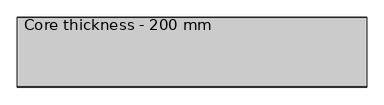
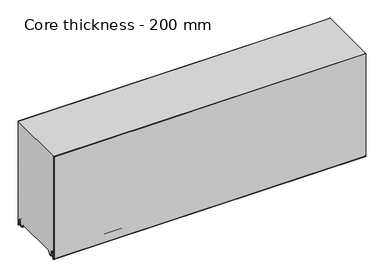
"""IFC4 building model written with IfcOpenShell, lengths in millimetres: plate geometry, Core thickness - 200 mm."""

from ifc_helpers import new_model, si_unit, frame, origin, place, context, project, spatial, polyline, circle_curve, source, transform, mapped, element, save
from ifc_brep_helpers import plane_surface, cylinder_surface, revolved_surface, advanced_brep


def core_thickness_200_mm_f11590a1(model_context):
    return source(origin(), model_context, "Body", "AdvancedBrep", [
        advanced_brep(
        [(500.0000002, -199.9996949, 3.0900682), (500.0000002, -193.81449, 2.7875612), (500.0000002, -192.197116, 19.2828169), (500.0000002, -189.1776715, 21.9898782), (500.0000002, -186.1582271, 19.2828169), (500.0000002, -184.7725998, 5.1510966), (500.0000002, -180.3830995, 5.365779), (500.0000002, -181.1830995, 5.365779), (500.0000002, -183.9764178, 5.2291629), (500.0000002, -185.3620451, 19.3608832), (500.0000002, -189.1776715, 22.7899182), (500.0000002, -192.9932979, 19.3608832), (500.0000002, -194.6106719, 2.8656275), (500.0000002, -199.1996949, 3.0900682), (500.0000002, -199.2, 350.0), (500.0000002, -199.9996949, 350.0), (-500.0000002, -199.1996949, 3.0900682), (-500.0000002, -194.6106719, 2.8656275), (-500.0000002, -192.9932979, 19.3608832), (-500.0000002, -189.1776715, 22.7899182), (-500.0000002, -185.3620451, 19.3608832), (-500.0000002, -183.9764178, 5.2291629), (-500.0000002, -181.1830995, 5.365779), (-500.0000002, -180.3830995, 5.365779), (-500.0000002, -184.7725998, 5.1510966), (-500.0000002, -186.1582271, 19.2828169), (-500.0000002, -189.1776715, 21.9898782), (-500.0000002, -192.197116, 19.2828169), (-500.0000002, -193.81449, 2.7875612), (-500.0000002, -199.9996949, 3.0900682), (-500.0000002, -199.9996949, 350.0), (-500.0000002, -199.2, 350.0)],
        [
            (0, 1, circle_curve(frame((500.0000002, -196.8996949, 3.0900682), z_axis=(1.0, 0.0, 0.0), x_axis=(0.0, 0.0, -1.0)), 3.1)),
            (1, 2),
            (2, 3, circle_curve(frame((500.0000002, -189.2114338, 18.9900682), z_axis=(-1.0, 0.0, 0.0), x_axis=(0.0, 0.0, -1.0)), 3.0)),
            (3, 4, circle_curve(frame((500.0000002, -189.1439093, 18.9900682), z_axis=(-1.0, 0.0, 0.0), x_axis=(0.0, 0.0, -1.0)), 3.0)),
            (4, 5),
            (5, 6, circle_curve(frame((500.0000002, -182.5830995, 5.365779), z_axis=(1.0, 0.0, 0.0), x_axis=(0.0, 0.0, -1.0)), 2.2)),
            (6, 7),
            (7, 8, circle_curve(frame((500.0000002, -182.5830995, 5.365779), z_axis=(-1.0, 0.0, 0.0), x_axis=(0.0, 0.0, -1.0)), 1.4)),
            (8, 9),
            (9, 10, circle_curve(frame((500.0000002, -189.1439093, 18.9900682), z_axis=(1.0, 0.0, 0.0), x_axis=(0.0, 0.0, -1.0)), 3.8)),
            (10, 11, circle_curve(frame((500.0000002, -189.2114338, 18.9900682), z_axis=(1.0, 0.0, 0.0), x_axis=(0.0, 0.0, -1.0)), 3.8)),
            (11, 12),
            (12, 13, circle_curve(frame((500.0000002, -196.8996949, 3.0900682), z_axis=(-1.0, 0.0, 0.0), x_axis=(0.0, 0.0, -1.0)), 2.3)),
            (13, 14),
            (14, 15),
            (15, 0),
            (16, 17, circle_curve(frame((-500.0000002, -196.8996949, 3.0900682), z_axis=(1.0, 0.0, 0.0), x_axis=(0.0, 0.0, -1.0)), 2.3)),
            (17, 18),
            (18, 19, circle_curve(frame((-500.0000002, -189.2114338, 18.9900682), z_axis=(-1.0, 0.0, 0.0), x_axis=(0.0, 0.0, -1.0)), 3.8)),
            (19, 20, circle_curve(frame((-500.0000002, -189.1439093, 18.9900682), z_axis=(-1.0, 0.0, 0.0), x_axis=(0.0, 0.0, -1.0)), 3.8)),
            (20, 21),
            (21, 22, circle_curve(frame((-500.0000002, -182.5830995, 5.365779), z_axis=(1.0, 0.0, 0.0), x_axis=(0.0, 0.0, -1.0)), 1.4)),
            (22, 23),
            (23, 24, circle_curve(frame((-500.0000002, -182.5830995, 5.365779), z_axis=(-1.0, 0.0, 0.0), x_axis=(0.0, 0.0, -1.0)), 2.2)),
            (24, 25),
            (25, 26, circle_curve(frame((-500.0000002, -189.1439093, 18.9900682), z_axis=(1.0, 0.0, 0.0), x_axis=(0.0, 0.0, -1.0)), 3.0)),
            (26, 27, circle_curve(frame((-500.0000002, -189.2114338, 18.9900682), z_axis=(1.0, 0.0, 0.0), x_axis=(0.0, 0.0, -1.0)), 3.0)),
            (27, 28),
            (28, 29, circle_curve(frame((-500.0000002, -196.8996949, 3.0900682), z_axis=(-1.0, 0.0, 0.0), x_axis=(0.0, 0.0, -1.0)), 3.1)),
            (29, 30),
            (30, 31),
            (31, 16),
            (13, 16),
            (31, 14),
            (29, 0),
            (15, 30),
            (12, 17),
            (11, 18),
            (10, 19),
            (9, 20),
            (8, 21),
            (7, 22),
            (6, 23),
            (5, 24),
            (4, 25),
            (3, 26),
            (2, 27),
            (1, 28),
        ],
        [
            plane_surface(frame((500.0000002, -200.0, 0.0), z_axis=(1.0, 0.0, 0.0), x_axis=(0.0, 1.0, 0.0))),
            plane_surface(frame((-500.0000002, -200.0, 0.0), z_axis=(-1.0, 0.0, 0.0), x_axis=(0.0, 1.0, 0.0))),
            plane_surface(frame((500.0000002, -199.2, 3.0900682), z_axis=(0.0, 1.0, 0.0), x_axis=(-1.0, 0.0, 0.0))),
            plane_surface(frame((500.0000002, -199.9996949, 1143.9000005), z_axis=(0.0, -1.0, 0.0), x_axis=(-1.0, 0.0, 0.0))),
            revolved_surface(polyline([(-500.0000002, -196.8996949, 0.7900682000000003), (500.0000002, -196.8996949, 0.7900682000000003)]), (500.0000002, -196.8996949, 3.0900682), (-1.0, 0.0, 0.0)),
            plane_surface(frame((500.0000002, -192.9932979, 19.3608832), z_axis=(0.0, -0.9952273999818314, 0.09758289975914787), x_axis=(-1.0, 0.0, 0.0))),
            cylinder_surface(frame((500.0000002, -189.2114338, 18.9900682), z_axis=(1.0, 0.0, 0.0), x_axis=(0.0, 0.0, -1.0)), 3.8),
            cylinder_surface(frame((500.0000002, -189.1439093, 18.9900682), z_axis=(1.0, 0.0, 0.0), x_axis=(0.0, 0.0, -1.0)), 3.8),
            plane_surface(frame((500.0000002, -183.9764178, 5.2291629), z_axis=(0.0, 0.9952273999818297, 0.09758289975916531), x_axis=(-1.0, 0.0, 0.0))),
            revolved_surface(polyline([(-500.0000002, -182.5830995, 3.965779), (500.0000002, -182.5830995, 3.965779)]), (500.0000002, -182.5830995, 5.365779), (-1.0, 0.0, 0.0)),
            plane_surface(frame((500.0000002, -180.3830995, 5.365779), z_axis=(0.0, 0.0, 1.0), x_axis=(-1.0, 0.0, 0.0))),
            cylinder_surface(frame((500.0000002, -182.5830995, 5.365779), z_axis=(1.0, 0.0, 0.0), x_axis=(0.0, 0.0, -1.0)), 2.2),
            plane_surface(frame((500.0000002, -186.1582271, 19.2828169), z_axis=(0.0, -0.9952273999818296, -0.09758289975916527), x_axis=(-1.0, 0.0, 0.0))),
            revolved_surface(polyline([(-500.0000002, -189.1439093, 15.9900682), (500.0000002, -189.1439093, 15.9900682)]), (500.0000002, -189.1439093, 18.9900682), (-1.0, 0.0, 0.0)),
            revolved_surface(polyline([(-500.0000002, -189.2114338, 15.9900682), (500.0000002, -189.2114338, 15.9900682)]), (500.0000002, -189.2114338, 18.9900682), (-1.0, 0.0, 0.0)),
            plane_surface(frame((500.0000002, -193.81449, 2.7875612), z_axis=(0.0, 0.9952273999818314, -0.09758289975914787), x_axis=(-1.0, 0.0, 0.0))),
            cylinder_surface(frame((500.0000002, -196.8996949, 3.0900682), z_axis=(1.0, 0.0, 0.0), x_axis=(0.0, 0.0, -1.0)), 3.1),
            plane_surface(frame((-500.0000002, 134.0533409, 350.0), z_axis=(0.0, 0.0, 1.0), x_axis=(1.0, 0.0, 0.0))),
        ],
        [
            (0, [[1, 2, 3, 4, 5, 6, 7, 8, 9, 10, 11, 12, 13, 14, 15, 16]]),
            (1, [[17, 18, 19, 20, 21, 22, 23, 24, 25, 26, 27, 28, 29, 30, 31, 32]]),
            (2, [[33, -32, 34, -14]]),
            (3, [[35, -16, 36, -30]]),
            (4, [[-13, 37, -17, -33]]),
            (5, [[-12, 38, -18, -37]]),
            (6, [[-11, 39, -19, -38]]),
            (7, [[-10, 40, -20, -39]]),
            (8, [[-9, 41, -21, -40]]),
            (9, [[-8, 42, -22, -41]]),
            (10, [[-7, 43, -23, -42]]),
            (11, [[-6, 44, -24, -43]]),
            (12, [[-5, 45, -25, -44]]),
            (13, [[-4, 46, -26, -45]]),
            (14, [[-3, 47, -27, -46]]),
            (15, [[-2, 48, -28, -47]]),
            (16, [[-1, -35, -29, -48]]),
            (17, [[-15, -34, -31, -36]]),
        ],
    ),
        advanced_brep(
        [(500.0000002, -169.873448, 15.1417681), (500.0000002, -30.126552, 15.1417681), (500.0000002, -23.4071318, 3.165779), (500.0000002, -17.4169005, 3.165779), (500.0000002, -19.6169005, 5.365779), (500.0000002, -18.8169005, 5.365779), (500.0000002, -16.0235822, 5.2291629), (500.0000002, -14.6379549, 19.3608832), (500.0000002, -10.8223285, 22.7899182), (500.0000002, -7.0067021, 19.3608832), (500.0000002, -5.3893281, 2.8656275), (500.0000002, -1.0794848, 4.1883784), (500.0000002, -1.5003051, 5.8439114), (500.0000002, -1.5003051, 42.0511837), (500.0000002, -1.0971009, 43.4705951), (500.0000002, -0.8, 44.5229805), (500.0000002, -0.8, 94.6827637), (500.0000002, -1.0986697, 95.7341795), (500.0000002, -1.5003051, 97.1545605), (500.0000002, -1.5003051, 147.3143437), (500.0000002, -1.0971009, 148.7337551), (500.0000002, -0.8, 149.7861405), (500.0000002, -0.8, 199.9459237), (500.0000002, -1.0986697, 200.9973395), (500.0000002, -1.5003051, 202.4177205), (500.0000002, -1.5003051, 252.5775037), (500.0000002, -1.0971009, 253.9969151), (500.0000002, -0.8, 255.0493005), (500.0000002, -0.8, 305.2090837), (500.0000002, -1.0986697, 306.2604995), (500.0000002, -1.5003051, 307.6808805), (500.0000002, -1.5003051, 350.0), (500.0000002, -199.2, 350.0), (500.0000002, -199.2, 3.0900682), (500.0000002, -194.6106719, 2.8656275), (500.0000002, -192.9932979, 19.3608832), (500.0000002, -189.1776715, 22.7899182), (500.0000002, -185.3620451, 19.3608832), (500.0000002, -183.9764178, 5.2291629), (500.0000002, -181.1830995, 5.365779), (500.0000002, -180.3830995, 5.365779), (500.0000002, -182.5830995, 3.165779), (500.0000002, -176.5928682, 3.165779), (-500.0000002, -30.126552, 15.1417681), (-500.0000002, -169.873448, 15.1417681), (-500.0000002, -176.5928682, 3.165779), (-500.0000002, -182.5830995, 3.165779), (-500.0000002, -180.3830995, 5.365779), (-500.0000002, -181.1830995, 5.365779), (-500.0000002, -183.9764178, 5.2291629), (-500.0000002, -185.3620451, 19.3608832), (-500.0000002, -189.1776715, 22.7899182), (-500.0000002, -192.9932979, 19.3608832), (-500.0000002, -194.6106719, 2.8656275), (-500.0000002, -199.1996949, 3.0900682), (-500.0000002, -199.2, 350.0), (-500.0000002, -1.5003051, 350.0), (-500.0000002, -1.5003051, 307.6808805), (-500.0000002, -1.0971009, 306.2614691), (-500.0000002, -0.8, 305.2090837), (-500.0000002, -0.8, 255.0493005), (-500.0000002, -1.0986697, 253.9978846), (-500.0000002, -1.5003051, 252.5775037), (-500.0000002, -1.5003051, 202.4177205), (-500.0000002, -1.0971009, 200.9983091), (-500.0000002, -0.8, 199.9459237), (-500.0000002, -0.8, 149.7861405), (-500.0000002, -1.0986697, 148.7347246), (-500.0000002, -1.5003051, 147.3143437), (-500.0000002, -1.5003051, 97.1545605), (-500.0000002, -1.0971009, 95.7351491), (-500.0000002, -0.8, 94.6827637), (-500.0000002, -0.8, 44.5229805), (-500.0000002, -1.0986697, 43.4715646), (-500.0000002, -1.5003051, 42.0511837), (-500.0000002, -1.5003051, 5.8439114), (-500.0000002, -1.0794848, 4.1883784), (-500.0000002, -5.3893281, 2.8656275), (-500.0000002, -7.0067021, 19.3608832), (-500.0000002, -10.8223285, 22.7899182), (-500.0000002, -14.6379549, 19.3608832), (-500.0000002, -16.0235822, 5.2291629), (-500.0000002, -18.8169005, 5.365779), (-500.0000002, -19.6169005, 5.365779), (-500.0000002, -17.4169005, 3.165779), (-500.0000002, -23.4071318, 3.165779)],
        [
            (0, 1),
            (1, 2),
            (2, 3),
            (3, 4, circle_curve(frame((500.0000002, -17.4169005, 5.365779), z_axis=(-1.0, 0.0, 0.0), x_axis=(0.0, 0.0, -1.0)), 2.2)),
            (4, 5),
            (5, 6, circle_curve(frame((500.0000002, -17.4169005, 5.365779), z_axis=(1.0, 0.0, 0.0), x_axis=(0.0, 0.0, -1.0)), 1.4)),
            (6, 7),
            (7, 8, circle_curve(frame((500.0000002, -10.8560907, 18.9900682), z_axis=(-1.0, 0.0, 0.0), x_axis=(0.0, 0.0, -1.0)), 3.8)),
            (8, 9, circle_curve(frame((500.0000002, -10.7885662, 18.9900682), z_axis=(-1.0, 0.0, 0.0), x_axis=(0.0, 0.0, -1.0)), 3.8)),
            (9, 10),
            (10, 11, circle_curve(frame((500.0000002, -3.1003051, 3.0900682), z_axis=(1.0, 0.0, 0.0), x_axis=(0.0, 0.0, -1.0)), 2.3)),
            (11, 12, circle_curve(frame((500.0000002, 1.9665895, 5.8439114), z_axis=(-1.0, 0.0, 0.0), x_axis=(0.0, 0.0, -1.0)), 3.4668946)),
            (12, 13),
            (13, 14, circle_curve(frame((500.0000002, 1.1996949, 42.0511837), z_axis=(-1.0, 0.0, 0.0), x_axis=(0.0, 0.0, -1.0)), 2.7)),
            (14, 15, circle_curve(frame((500.0000002, -2.8, 44.5229805), z_axis=(1.0, 0.0, 0.0), x_axis=(0.0, 0.0, -1.0)), 2.0)),
            (15, 16),
            (16, 17, circle_curve(frame((500.0000002, -2.8, 94.6827637), z_axis=(1.0, 0.0, 0.0), x_axis=(0.0, 0.0, -1.0)), 2.0)),
            (17, 18, circle_curve(frame((500.0000002, 1.1996949, 97.1545605), z_axis=(-1.0, 0.0, 0.0), x_axis=(0.0, 0.0, -1.0)), 2.7)),
            (18, 19),
            (19, 20, circle_curve(frame((500.0000002, 1.1996949, 147.3143437), z_axis=(-1.0, 0.0, 0.0), x_axis=(0.0, 0.0, -1.0)), 2.7)),
            (20, 21, circle_curve(frame((500.0000002, -2.8, 149.7861405), z_axis=(1.0, 0.0, 0.0), x_axis=(0.0, 0.0, -1.0)), 2.0)),
            (21, 22),
            (22, 23, circle_curve(frame((500.0000002, -2.8, 199.9459237), z_axis=(1.0, 0.0, 0.0), x_axis=(0.0, 0.0, -1.0)), 2.0)),
            (23, 24, circle_curve(frame((500.0000002, 1.1996949, 202.4177205), z_axis=(-1.0, 0.0, 0.0), x_axis=(0.0, 0.0, -1.0)), 2.7)),
            (24, 25),
            (25, 26, circle_curve(frame((500.0000002, 1.1996949, 252.5775037), z_axis=(-1.0, 0.0, 0.0), x_axis=(0.0, 0.0, -1.0)), 2.7)),
            (26, 27, circle_curve(frame((500.0000002, -2.8, 255.0493005), z_axis=(1.0, 0.0, 0.0), x_axis=(0.0, 0.0, -1.0)), 2.0)),
            (27, 28),
            (28, 29, circle_curve(frame((500.0000002, -2.8, 305.2090837), z_axis=(1.0, 0.0, 0.0), x_axis=(0.0, 0.0, -1.0)), 2.0)),
            (29, 30, circle_curve(frame((500.0000002, 1.1996949, 307.6808805), z_axis=(-1.0, 0.0, 0.0), x_axis=(0.0, 0.0, -1.0)), 2.7)),
            (30, 31),
            (31, 32),
            (32, 33),
            (33, 34, circle_curve(frame((500.0000002, -196.8996949, 3.0900682), z_axis=(1.0, 0.0, 0.0), x_axis=(0.0, 0.0, -1.0)), 2.3)),
            (34, 35),
            (35, 36, circle_curve(frame((500.0000002, -189.2114338, 18.9900682), z_axis=(-1.0, 0.0, 0.0), x_axis=(0.0, 0.0, -1.0)), 3.8)),
            (36, 37, circle_curve(frame((500.0000002, -189.1439093, 18.9900682), z_axis=(-1.0, 0.0, 0.0), x_axis=(0.0, 0.0, -1.0)), 3.8)),
            (37, 38),
            (38, 39, circle_curve(frame((500.0000002, -182.5830995, 5.365779), z_axis=(1.0, 0.0, 0.0), x_axis=(0.0, 0.0, -1.0)), 1.4)),
            (39, 40),
            (40, 41, circle_curve(frame((500.0000002, -182.5830995, 5.365779), z_axis=(-1.0, 0.0, 0.0), x_axis=(0.0, 0.0, -1.0)), 2.2)),
            (41, 42),
            (42, 0),
            (43, 44),
            (44, 45),
            (45, 46),
            (46, 47, circle_curve(frame((-500.0000002, -182.5830995, 5.365779), z_axis=(1.0, 0.0, 0.0), x_axis=(0.0, 0.0, -1.0)), 2.2)),
            (47, 48),
            (48, 49, circle_curve(frame((-500.0000002, -182.5830995, 5.365779), z_axis=(-1.0, 0.0, 0.0), x_axis=(0.0, 0.0, -1.0)), 1.4)),
            (49, 50),
            (50, 51, circle_curve(frame((-500.0000002, -189.1439093, 18.9900682), z_axis=(1.0, 0.0, 0.0), x_axis=(0.0, 0.0, -1.0)), 3.8)),
            (51, 52, circle_curve(frame((-500.0000002, -189.2114338, 18.9900682), z_axis=(1.0, 0.0, 0.0), x_axis=(0.0, 0.0, -1.0)), 3.8)),
            (52, 53),
            (53, 54, circle_curve(frame((-500.0000002, -196.8996949, 3.0900682), z_axis=(-1.0, 0.0, 0.0), x_axis=(0.0, 0.0, -1.0)), 2.3)),
            (54, 55),
            (55, 56),
            (56, 57),
            (57, 58, circle_curve(frame((-500.0000002, 1.1996949, 307.6808805), z_axis=(1.0, 0.0, 0.0), x_axis=(0.0, 0.0, -1.0)), 2.7)),
            (58, 59, circle_curve(frame((-500.0000002, -2.8, 305.2090837), z_axis=(-1.0, 0.0, 0.0), x_axis=(0.0, 0.0, -1.0)), 2.0)),
            (59, 60),
            (60, 61, circle_curve(frame((-500.0000002, -2.8, 255.0493005), z_axis=(-1.0, 0.0, 0.0), x_axis=(0.0, 0.0, -1.0)), 2.0)),
            (61, 62, circle_curve(frame((-500.0000002, 1.1996949, 252.5775037), z_axis=(1.0, 0.0, 0.0), x_axis=(0.0, 0.0, -1.0)), 2.7)),
            (62, 63),
            (63, 64, circle_curve(frame((-500.0000002, 1.1996949, 202.4177205), z_axis=(1.0, 0.0, 0.0), x_axis=(0.0, 0.0, -1.0)), 2.7)),
            (64, 65, circle_curve(frame((-500.0000002, -2.8, 199.9459237), z_axis=(-1.0, 0.0, 0.0), x_axis=(0.0, 0.0, -1.0)), 2.0)),
            (65, 66),
            (66, 67, circle_curve(frame((-500.0000002, -2.8, 149.7861405), z_axis=(-1.0, 0.0, 0.0), x_axis=(0.0, 0.0, -1.0)), 2.0)),
            (67, 68, circle_curve(frame((-500.0000002, 1.1996949, 147.3143437), z_axis=(1.0, 0.0, 0.0), x_axis=(0.0, 0.0, -1.0)), 2.7)),
            (68, 69),
            (69, 70, circle_curve(frame((-500.0000002, 1.1996949, 97.1545605), z_axis=(1.0, 0.0, 0.0), x_axis=(0.0, 0.0, -1.0)), 2.7)),
            (70, 71, circle_curve(frame((-500.0000002, -2.8, 94.6827637), z_axis=(-1.0, 0.0, 0.0), x_axis=(0.0, 0.0, -1.0)), 2.0)),
            (71, 72),
            (72, 73, circle_curve(frame((-500.0000002, -2.8, 44.5229805), z_axis=(-1.0, 0.0, 0.0), x_axis=(0.0, 0.0, -1.0)), 2.0)),
            (73, 74, circle_curve(frame((-500.0000002, 1.1996949, 42.0511837), z_axis=(1.0, 0.0, 0.0), x_axis=(0.0, 0.0, -1.0)), 2.7)),
            (74, 75),
            (75, 76, circle_curve(frame((-500.0000002, 1.9665895, 5.8439114), z_axis=(1.0, 0.0, 0.0), x_axis=(0.0, 0.0, -1.0)), 3.4668946)),
            (76, 77, circle_curve(frame((-500.0000002, -3.1003051, 3.0900682), z_axis=(-1.0, 0.0, 0.0), x_axis=(0.0, 0.0, -1.0)), 2.3)),
            (77, 78),
            (78, 79, circle_curve(frame((-500.0000002, -10.7885662, 18.9900682), z_axis=(1.0, 0.0, 0.0), x_axis=(0.0, 0.0, -1.0)), 3.8)),
            (79, 80, circle_curve(frame((-500.0000002, -10.8560907, 18.9900682), z_axis=(1.0, 0.0, 0.0), x_axis=(0.0, 0.0, -1.0)), 3.8)),
            (80, 81),
            (81, 82, circle_curve(frame((-500.0000002, -17.4169005, 5.365779), z_axis=(-1.0, 0.0, 0.0), x_axis=(0.0, 0.0, -1.0)), 1.4)),
            (82, 83),
            (83, 84, circle_curve(frame((-500.0000002, -17.4169005, 5.365779), z_axis=(1.0, 0.0, 0.0), x_axis=(0.0, 0.0, -1.0)), 2.2)),
            (84, 85),
            (85, 43),
            (1, 43),
            (85, 2),
            (0, 44),
            (42, 45),
            (64, 23),
            (22, 65),
            (63, 24),
            (62, 25),
            (61, 26),
            (60, 27),
            (59, 28),
            (58, 29),
            (57, 30),
            (56, 31),
            (54, 33),
            (32, 55),
            (84, 3),
            (41, 46),
            (83, 4),
            (82, 5),
            (81, 6),
            (80, 7),
            (79, 8),
            (78, 9),
            (77, 10),
            (76, 11),
            (75, 12),
            (74, 13),
            (73, 14),
            (72, 15),
            (71, 16),
            (70, 17),
            (69, 18),
            (68, 19),
            (67, 20),
            (66, 21),
            (53, 34),
            (52, 35),
            (51, 36),
            (50, 37),
            (49, 38),
            (48, 39),
            (47, 40),
        ],
        [
            plane_surface(frame((500.0000002, 0.0, 0.0), z_axis=(1.0, 0.0, 0.0), x_axis=(0.0, -1.0, 0.0))),
            plane_surface(frame((-500.0000002, 0.0, 0.0), z_axis=(-1.0, 0.0, 0.0), x_axis=(0.0, -1.0, 0.0))),
            plane_surface(frame((500.0000002, -30.126552, 15.1417681), z_axis=(0.0, -0.8721062992196836, -0.4893164649399687), x_axis=(-1.0, 0.0, 0.0))),
            plane_surface(frame((500.0000002, -169.873448, 15.1417681), z_axis=(0.0, 0.0, -1.0), x_axis=(-1.0, 0.0, 0.0))),
            plane_surface(frame((500.0000002, -176.8190247, 2.7627014), z_axis=(0.0, 0.8721062992196872, -0.4893164649399624), x_axis=(-1.0, 0.0, 0.0))),
            cylinder_surface(frame((630.0000002, -2.8, 199.9459237), z_axis=(-1.0, 0.0, 0.0), x_axis=(0.0, 0.0, -1.0)), 2.0),
            revolved_surface(polyline([(500.0000002, 1.1996949, 199.7177205), (-500.00000020000004, 1.1996949, 199.7177205)]), (630.0000002, 1.1996949, 202.4177205), (1.0, 0.0, 0.0)),
            plane_surface(frame((630.0000002, -1.5003051, 252.5775037), z_axis=(0.0, 1.0, 0.0), x_axis=(-1.0, 0.0, 0.0))),
            revolved_surface(polyline([(500.0000002, 1.1996949, 249.8775037), (-500.00000020000004, 1.1996949, 249.8775037)]), (630.0000002, 1.1996949, 252.5775037), (1.0, 0.0, 0.0)),
            cylinder_surface(frame((630.0000002, -2.8, 255.0493005), z_axis=(-1.0, 0.0, 0.0), x_axis=(0.0, 0.0, -1.0)), 2.0),
            plane_surface(frame((630.0000002, -0.8, 305.2090837), z_axis=(0.0, 1.0, 0.0), x_axis=(-1.0, 0.0, 0.0))),
            cylinder_surface(frame((630.0000002, -2.8, 305.2090837), z_axis=(-1.0, 0.0, 0.0), x_axis=(0.0, 0.0, -1.0)), 2.0),
            revolved_surface(polyline([(500.0000002, 1.1996949, 304.9808805), (-500.00000020000004, 1.1996949, 304.9808805)]), (630.0000002, 1.1996949, 307.6808805), (1.0, 0.0, 0.0)),
            plane_surface(frame((630.0000002, -1.5003051, 357.8406637), z_axis=(0.0, 1.0, 0.0), x_axis=(-1.0, 0.0, 0.0))),
            plane_surface(frame((630.0000002, -199.2, 3.0900682), z_axis=(0.0, -1.0, 0.0), x_axis=(-1.0, 0.0, 0.0))),
            plane_surface(frame((-500.0000002, -182.5830995, 3.165779), z_axis=(0.0, 0.0, -1.0), x_axis=(1.0, 0.0, 0.0))),
            revolved_surface(polyline([(500.0000002, -17.4169005, 3.1657789999999997), (-500.00000020000004, -17.4169005, 3.1657789999999997)]), (630.0000002, -17.4169005, 5.365779), (1.0, 0.0, 0.0)),
            plane_surface(frame((630.0000002, -18.8169005, 5.365779), z_axis=(0.0, 0.0, -1.0), x_axis=(-1.0, 0.0, 0.0))),
            cylinder_surface(frame((630.0000002, -17.4169005, 5.365779), z_axis=(-1.0, 0.0, 0.0), x_axis=(0.0, 0.0, -1.0)), 1.4),
            plane_surface(frame((630.0000002, -14.6379549, 19.3608832), z_axis=(0.0, 0.9952273999818297, -0.09758289975916531), x_axis=(-1.0, 0.0, 0.0))),
            revolved_surface(polyline([(500.0000002, -10.8560907, 15.190068199999999), (-500.00000020000004, -10.8560907, 15.190068199999999)]), (630.0000002, -10.8560907, 18.9900682), (1.0, 0.0, 0.0)),
            revolved_surface(polyline([(500.0000002, -10.7885662, 15.190068199999999), (-500.00000020000004, -10.7885662, 15.190068199999999)]), (630.0000002, -10.7885662, 18.9900682), (1.0, 0.0, 0.0)),
            plane_surface(frame((630.0000002, -5.3893281, 2.8656275), z_axis=(0.0, -0.9952273999818314, -0.09758289975914787), x_axis=(-1.0, 0.0, 0.0))),
            cylinder_surface(frame((630.0000002, -3.1003051, 3.0900682), z_axis=(-1.0, 0.0, 0.0), x_axis=(0.0, 0.0, -1.0)), 2.3),
            revolved_surface(polyline([(500.0000002, 1.9665895, 2.3770168), (-500.00000020000004, 1.9665895, 2.3770168)]), (630.0000002, 1.9665895, 5.8439114), (1.0, 0.0, 0.0)),
            plane_surface(frame((630.0000002, -1.5003051, 42.0511837), z_axis=(0.0, 1.0, 0.0), x_axis=(-1.0, 0.0, 0.0))),
            revolved_surface(polyline([(500.0000002, 1.1996949, 39.3511837), (-500.00000020000004, 1.1996949, 39.3511837)]), (630.0000002, 1.1996949, 42.0511837), (1.0, 0.0, 0.0)),
            cylinder_surface(frame((630.0000002, -2.8, 44.5229805), z_axis=(-1.0, 0.0, 0.0), x_axis=(0.0, 0.0, -1.0)), 2.0),
            plane_surface(frame((630.0000002, -0.8, 94.6827637), z_axis=(0.0, 1.0, 0.0), x_axis=(-1.0, 0.0, 0.0))),
            cylinder_surface(frame((630.0000002, -2.8, 94.6827637), z_axis=(-1.0, 0.0, 0.0), x_axis=(0.0, 0.0, -1.0)), 2.0),
            revolved_surface(polyline([(500.0000002, 1.1996949, 94.4545605), (-500.00000020000004, 1.1996949, 94.4545605)]), (630.0000002, 1.1996949, 97.1545605), (1.0, 0.0, 0.0)),
            plane_surface(frame((630.0000002, -1.5003051, 147.3143437), z_axis=(0.0, 1.0, 0.0), x_axis=(-1.0, 0.0, 0.0))),
            revolved_surface(polyline([(500.0000002, 1.1996949, 144.6143437), (-500.00000020000004, 1.1996949, 144.6143437)]), (630.0000002, 1.1996949, 147.3143437), (1.0, 0.0, 0.0)),
            cylinder_surface(frame((630.0000002, -2.8, 149.7861405), z_axis=(-1.0, 0.0, 0.0), x_axis=(0.0, 0.0, -1.0)), 2.0),
            plane_surface(frame((630.0000002, -0.8, 199.9459237), z_axis=(0.0, 1.0, 0.0), x_axis=(-1.0, 0.0, 0.0))),
            cylinder_surface(frame((630.0000002, -196.8996949, 3.0900682), z_axis=(-1.0, 0.0, 0.0), x_axis=(0.0, 0.0, -1.0)), 2.3),
            plane_surface(frame((630.0000002, -192.9932979, 19.3608832), z_axis=(0.0, 0.9952273999818314, -0.09758289975914787), x_axis=(-1.0, 0.0, 0.0))),
            revolved_surface(polyline([(500.0000002, -189.2114338, 15.190068199999999), (-500.00000020000004, -189.2114338, 15.190068199999999)]), (630.0000002, -189.2114338, 18.9900682), (1.0, 0.0, 0.0)),
            revolved_surface(polyline([(500.0000002, -189.1439093, 15.190068199999999), (-500.00000020000004, -189.1439093, 15.190068199999999)]), (630.0000002, -189.1439093, 18.9900682), (1.0, 0.0, 0.0)),
            plane_surface(frame((630.0000002, -183.9764178, 5.2291629), z_axis=(0.0, -0.9952273999818297, -0.09758289975916531), x_axis=(-1.0, 0.0, 0.0))),
            cylinder_surface(frame((630.0000002, -182.5830995, 5.365779), z_axis=(-1.0, 0.0, 0.0), x_axis=(0.0, 0.0, -1.0)), 1.4),
            plane_surface(frame((630.0000002, -180.3830995, 5.365779), z_axis=(0.0, 0.0, -1.0), x_axis=(-1.0, 0.0, 0.0))),
            revolved_surface(polyline([(500.0000002, -182.5830995, 3.1657789999999997), (-500.00000020000004, -182.5830995, 3.1657789999999997)]), (630.0000002, -182.5830995, 5.365779), (1.0, 0.0, 0.0)),
            plane_surface(frame((-500.0000002, 134.0533409, 350.0), z_axis=(0.0, 0.0, 1.0), x_axis=(1.0, 0.0, 0.0))),
        ],
        [
            (0, [[1, 2, 3, 4, 5, 6, 7, 8, 9, 10, 11, 12, 13, 14, 15, 16, 17, 18, 19, 20, 21, 22, 23, 24, 25, 26, 27, 28, 29, 30, 31, 32, 33, 34, 35, 36, 37, 38, 39, 40, 41, 42, 43]]),
            (1, [[44, 45, 46, 47, 48, 49, 50, 51, 52, 53, 54, 55, 56, 57, 58, 59, 60, 61, 62, 63, 64, 65, 66, 67, 68, 69, 70, 71, 72, 73, 74, 75, 76, 77, 78, 79, 80, 81, 82, 83, 84, 85, 86]]),
            (2, [[87, -86, 88, -2]]),
            (3, [[-1, 89, -44, -87]]),
            (4, [[-89, -43, 90, -45]]),
            (5, [[91, -23, 92, -65]]),
            (6, [[-91, -64, 93, -24]]),
            (7, [[-93, -63, 94, -25]]),
            (8, [[-94, -62, 95, -26]]),
            (9, [[-95, -61, 96, -27]]),
            (10, [[-96, -60, 97, -28]]),
            (11, [[-97, -59, 98, -29]]),
            (12, [[-98, -58, 99, -30]]),
            (13, [[-99, -57, 100, -31]]),
            (14, [[101, -33, 102, -55]]),
            (15, [[-3, -88, -85, 103]]),
            (15, [[-42, 104, -46, -90]]),
            (16, [[105, -4, -103, -84]]),
            (17, [[-105, -83, 106, -5]]),
            (18, [[-106, -82, 107, -6]]),
            (19, [[-107, -81, 108, -7]]),
            (20, [[-108, -80, 109, -8]]),
            (21, [[-109, -79, 110, -9]]),
            (22, [[-110, -78, 111, -10]]),
            (23, [[-111, -77, 112, -11]]),
            (24, [[-112, -76, 113, -12]]),
            (25, [[-113, -75, 114, -13]]),
            (26, [[-114, -74, 115, -14]]),
            (27, [[-115, -73, 116, -15]]),
            (28, [[-116, -72, 117, -16]]),
            (29, [[-117, -71, 118, -17]]),
            (30, [[-118, -70, 119, -18]]),
            (31, [[-119, -69, 120, -19]]),
            (32, [[-120, -68, 121, -20]]),
            (33, [[-121, -67, 122, -21]]),
            (34, [[-122, -66, -92, -22]]),
            (35, [[-101, -54, 123, -34]]),
            (36, [[-123, -53, 124, -35]]),
            (37, [[-124, -52, 125, -36]]),
            (38, [[-125, -51, 126, -37]]),
            (39, [[-126, -50, 127, -38]]),
            (40, [[-127, -49, 128, -39]]),
            (41, [[-128, -48, 129, -40]]),
            (42, [[-129, -47, -104, -41]]),
            (43, [[-100, -56, -102, -32]]),
        ],
    ),
        advanced_brep(
        [(-500.0000002, -0.7003051, 307.6808805), (-500.0000002, -0.4016712, 306.6295226), (-500.0000002, -0.0003051, 305.2090837), (-500.0000002, -0.0003051, 255.0493005), (-500.0000002, -0.4034608, 253.6299674), (-500.0000002, -0.7003051, 252.5775037), (-500.0000002, -0.7003051, 202.4177205), (-500.0000002, -0.4016712, 201.3663626), (-500.0000002, -0.0003051, 199.9459237), (-500.0000002, -0.0003051, 149.7861405), (-500.0000002, -0.4034608, 148.3668074), (-500.0000002, -0.7003051, 147.3143437), (-500.0000002, -0.7003051, 97.1545605), (-500.0000002, -0.4016712, 96.1032026), (-500.0000002, -0.0003051, 94.6827637), (-500.0000002, -0.0003051, 44.5229805), (-500.0000002, -0.4034608, 43.1036474), (-500.0000002, -0.7003051, 42.0511837), (-500.0000002, -0.7003051, 6.8391397), (-500.0000002, -0.2091664, 4.208691), (-500.0000002, -6.18551, 2.7875612), (-500.0000002, -7.802884, 19.2828169), (-500.0000002, -10.8223285, 21.9898782), (-500.0000002, -13.8417729, 19.2828169), (-500.0000002, -15.2274002, 5.1510966), (-500.0000002, -19.6169005, 5.365779), (-500.0000002, -18.8169005, 5.365779), (-500.0000002, -16.0235822, 5.2291629), (-500.0000002, -14.6379549, 19.3608832), (-500.0000002, -10.8223285, 22.7899182), (-500.0000002, -7.0067021, 19.3608832), (-500.0000002, -5.3893281, 2.8656275), (-500.0000002, -1.0794848, 4.1883784), (-500.0000002, -1.5003051, 5.8439114), (-500.0000002, -1.5003051, 42.0511837), (-500.0000002, -1.0971009, 43.4705951), (-500.0000002, -0.8, 44.5229805), (-500.0000002, -0.8, 94.6827637), (-500.0000002, -1.0986697, 95.7341795), (-500.0000002, -1.5003051, 97.1545605), (-500.0000002, -1.5003051, 147.3143437), (-500.0000002, -1.0971009, 148.7337551), (-500.0000002, -0.8, 149.7861405), (-500.0000002, -0.8, 199.9459237), (-500.0000002, -1.0986697, 200.9973395), (-500.0000002, -1.5003051, 202.4177205), (-500.0000002, -1.5003051, 252.5775037), (-500.0000002, -1.0971009, 253.9969151), (-500.0000002, -0.8, 255.0493005), (-500.0000002, -0.8, 305.2090837), (-500.0000002, -1.0986697, 306.2604995), (-500.0000002, -1.5003051, 307.6808805), (-500.0000002, -1.5003051, 350.0), (-500.0000002, -0.7003051, 350.0), (500.0000002, -1.5003051, 307.6808805), (500.0000002, -1.0971009, 306.2614691), (500.0000002, -0.8, 305.2090837), (500.0000002, -0.8, 255.0493005), (500.0000002, -1.0986697, 253.9978846), (500.0000002, -1.5003051, 252.5775037), (500.0000002, -1.5003051, 202.4177205), (500.0000002, -1.0971009, 200.9983091), (500.0000002, -0.8, 199.9459237), (500.0000002, -0.8, 149.7861405), (500.0000002, -1.0986697, 148.7347246), (500.0000002, -1.5003051, 147.3143437), (500.0000002, -1.5003051, 97.1545605), (500.0000002, -1.0971009, 95.7351491), (500.0000002, -0.8, 94.6827637), (500.0000002, -0.8, 44.5229805), (500.0000002, -1.0986697, 43.4715646), (500.0000002, -1.5003051, 42.0511837), (500.0000002, -1.5003051, 5.8439114), (500.0000002, -1.0794848, 4.1883784), (500.0000002, -5.3893281, 2.8656275), (500.0000002, -7.0067021, 19.3608832), (500.0000002, -10.8223285, 22.7899182), (500.0000002, -14.6379549, 19.3608832), (500.0000002, -16.0235822, 5.2291629), (500.0000002, -18.8169005, 5.365779), (500.0000002, -19.6169005, 5.365779), (500.0000002, -15.2274002, 5.1510966), (500.0000002, -13.8417729, 19.2828169), (500.0000002, -10.8223285, 21.9898782), (500.0000002, -7.802884, 19.2828169), (500.0000002, -6.18551, 2.7875612), (500.0000002, -0.2091664, 4.208691), (500.0000002, -0.7003051, 6.8391397), (500.0000002, -0.7003051, 42.0511837), (500.0000002, -0.4016712, 43.1025415), (500.0000002, -0.0003051, 44.5229805), (500.0000002, -0.0003051, 94.6827637), (500.0000002, -0.4034608, 96.1020968), (500.0000002, -0.7003051, 97.1545605), (500.0000002, -0.7003051, 147.3143437), (500.0000002, -0.4016712, 148.3657015), (500.0000002, -0.0003051, 149.7861405), (500.0000002, -0.0003051, 199.9459237), (500.0000002, -0.4034608, 201.3652568), (500.0000002, -0.7003051, 202.4177205), (500.0000002, -0.7003051, 252.5775037), (500.0000002, -0.4016712, 253.6288615), (500.0000002, -0.0003051, 255.0493005), (500.0000002, -0.0003051, 305.2090837), (500.0000002, -0.4034608, 306.6284168), (500.0000002, -0.7003051, 307.6808805), (500.0000002, -0.7003051, 350.0), (500.0000002, -1.5003051, 350.0)],
        [
            (0, 1, circle_curve(frame((-500.0000002, 1.2996949, 307.6808805), z_axis=(1.0, 0.0, 0.0), x_axis=(0.0, 0.0, -1.0)), 2.0)),
            (1, 2, circle_curve(frame((-500.0000002, -2.7003051, 305.2090837), z_axis=(-1.0, 0.0, 0.0), x_axis=(0.0, 0.0, -1.0)), 2.7)),
            (2, 3),
            (3, 4, circle_curve(frame((-500.0000002, -2.7003051, 255.0493005), z_axis=(-1.0, 0.0, 0.0), x_axis=(0.0, 0.0, -1.0)), 2.7)),
            (4, 5, circle_curve(frame((-500.0000002, 1.2996949, 252.5775037), z_axis=(1.0, 0.0, 0.0), x_axis=(0.0, 0.0, -1.0)), 2.0)),
            (5, 6),
            (6, 7, circle_curve(frame((-500.0000002, 1.2996949, 202.4177205), z_axis=(1.0, 0.0, 0.0), x_axis=(0.0, 0.0, -1.0)), 2.0)),
            (7, 8, circle_curve(frame((-500.0000002, -2.7003051, 199.9459237), z_axis=(-1.0, 0.0, 0.0), x_axis=(0.0, 0.0, -1.0)), 2.7)),
            (8, 9),
            (9, 10, circle_curve(frame((-500.0000002, -2.7003051, 149.7861405), z_axis=(-1.0, 0.0, 0.0), x_axis=(0.0, 0.0, -1.0)), 2.7)),
            (10, 11, circle_curve(frame((-500.0000002, 1.2996949, 147.3143437), z_axis=(1.0, 0.0, 0.0), x_axis=(0.0, 0.0, -1.0)), 2.0)),
            (11, 12),
            (12, 13, circle_curve(frame((-500.0000002, 1.2996949, 97.1545605), z_axis=(1.0, 0.0, 0.0), x_axis=(0.0, 0.0, -1.0)), 2.0)),
            (13, 14, circle_curve(frame((-500.0000002, -2.7003051, 94.6827637), z_axis=(-1.0, 0.0, 0.0), x_axis=(0.0, 0.0, -1.0)), 2.7)),
            (14, 15),
            (15, 16, circle_curve(frame((-500.0000002, -2.7003051, 44.5229805), z_axis=(-1.0, 0.0, 0.0), x_axis=(0.0, 0.0, -1.0)), 2.7)),
            (16, 17, circle_curve(frame((-500.0000002, 1.2996949, 42.0511837), z_axis=(1.0, 0.0, 0.0), x_axis=(0.0, 0.0, -1.0)), 2.0)),
            (17, 18),
            (18, 19, circle_curve(frame((-500.0000002, 6.5893647, 6.8391397), z_axis=(1.0, 0.0, 0.0), x_axis=(0.0, 0.0, -1.0)), 7.2896698)),
            (19, 20, circle_curve(frame((-500.0000002, -3.1003051, 3.0900682), z_axis=(-1.0, 0.0, 0.0), x_axis=(0.0, 0.0, -1.0)), 3.1)),
            (20, 21),
            (21, 22, circle_curve(frame((-500.0000002, -10.7885662, 18.9900682), z_axis=(1.0, 0.0, 0.0), x_axis=(0.0, 0.0, -1.0)), 3.0)),
            (22, 23, circle_curve(frame((-500.0000002, -10.8560907, 18.9900682), z_axis=(1.0, 0.0, 0.0), x_axis=(0.0, 0.0, -1.0)), 3.0)),
            (23, 24),
            (24, 25, circle_curve(frame((-500.0000002, -17.4169005, 5.365779), z_axis=(-1.0, 0.0, 0.0), x_axis=(0.0, 0.0, -1.0)), 2.2)),
            (25, 26),
            (26, 27, circle_curve(frame((-500.0000002, -17.4169005, 5.365779), z_axis=(1.0, 0.0, 0.0), x_axis=(0.0, 0.0, -1.0)), 1.4)),
            (27, 28),
            (28, 29, circle_curve(frame((-500.0000002, -10.8560907, 18.9900682), z_axis=(-1.0, 0.0, 0.0), x_axis=(0.0, 0.0, -1.0)), 3.8)),
            (29, 30, circle_curve(frame((-500.0000002, -10.7885662, 18.9900682), z_axis=(-1.0, 0.0, 0.0), x_axis=(0.0, 0.0, -1.0)), 3.8)),
            (30, 31),
            (31, 32, circle_curve(frame((-500.0000002, -3.1003051, 3.0900682), z_axis=(1.0, 0.0, 0.0), x_axis=(0.0, 0.0, -1.0)), 2.3)),
            (32, 33, circle_curve(frame((-500.0000002, 1.9665895, 5.8439114), z_axis=(-1.0, 0.0, 0.0), x_axis=(0.0, 0.0, -1.0)), 3.4668946)),
            (33, 34),
            (34, 35, circle_curve(frame((-500.0000002, 1.1996949, 42.0511837), z_axis=(-1.0, 0.0, 0.0), x_axis=(0.0, 0.0, -1.0)), 2.7)),
            (35, 36, circle_curve(frame((-500.0000002, -2.8, 44.5229805), z_axis=(1.0, 0.0, 0.0), x_axis=(0.0, 0.0, -1.0)), 2.0)),
            (36, 37),
            (37, 38, circle_curve(frame((-500.0000002, -2.8, 94.6827637), z_axis=(1.0, 0.0, 0.0), x_axis=(0.0, 0.0, -1.0)), 2.0)),
            (38, 39, circle_curve(frame((-500.0000002, 1.1996949, 97.1545605), z_axis=(-1.0, 0.0, 0.0), x_axis=(0.0, 0.0, -1.0)), 2.7)),
            (39, 40),
            (40, 41, circle_curve(frame((-500.0000002, 1.1996949, 147.3143437), z_axis=(-1.0, 0.0, 0.0), x_axis=(0.0, 0.0, -1.0)), 2.7)),
            (41, 42, circle_curve(frame((-500.0000002, -2.8, 149.7861405), z_axis=(1.0, 0.0, 0.0), x_axis=(0.0, 0.0, -1.0)), 2.0)),
            (42, 43),
            (43, 44, circle_curve(frame((-500.0000002, -2.8, 199.9459237), z_axis=(1.0, 0.0, 0.0), x_axis=(0.0, 0.0, -1.0)), 2.0)),
            (44, 45, circle_curve(frame((-500.0000002, 1.1996949, 202.4177205), z_axis=(-1.0, 0.0, 0.0), x_axis=(0.0, 0.0, -1.0)), 2.7)),
            (45, 46),
            (46, 47, circle_curve(frame((-500.0000002, 1.1996949, 252.5775037), z_axis=(-1.0, 0.0, 0.0), x_axis=(0.0, 0.0, -1.0)), 2.7)),
            (47, 48, circle_curve(frame((-500.0000002, -2.8, 255.0493005), z_axis=(1.0, 0.0, 0.0), x_axis=(0.0, 0.0, -1.0)), 2.0)),
            (48, 49),
            (49, 50, circle_curve(frame((-500.0000002, -2.8, 305.2090837), z_axis=(1.0, 0.0, 0.0), x_axis=(0.0, 0.0, -1.0)), 2.0)),
            (50, 51, circle_curve(frame((-500.0000002, 1.1996949, 307.6808805), z_axis=(-1.0, 0.0, 0.0), x_axis=(0.0, 0.0, -1.0)), 2.7)),
            (51, 52),
            (52, 53),
            (53, 0),
            (54, 55, circle_curve(frame((500.0000002, 1.1996949, 307.6808805), z_axis=(1.0, 0.0, 0.0), x_axis=(0.0, 0.0, -1.0)), 2.7)),
            (55, 56, circle_curve(frame((500.0000002, -2.8, 305.2090837), z_axis=(-1.0, 0.0, 0.0), x_axis=(0.0, 0.0, -1.0)), 2.0)),
            (56, 57),
            (57, 58, circle_curve(frame((500.0000002, -2.8, 255.0493005), z_axis=(-1.0, 0.0, 0.0), x_axis=(0.0, 0.0, -1.0)), 2.0)),
            (58, 59, circle_curve(frame((500.0000002, 1.1996949, 252.5775037), z_axis=(1.0, 0.0, 0.0), x_axis=(0.0, 0.0, -1.0)), 2.7)),
            (59, 60),
            (60, 61, circle_curve(frame((500.0000002, 1.1996949, 202.4177205), z_axis=(1.0, 0.0, 0.0), x_axis=(0.0, 0.0, -1.0)), 2.7)),
            (61, 62, circle_curve(frame((500.0000002, -2.8, 199.9459237), z_axis=(-1.0, 0.0, 0.0), x_axis=(0.0, 0.0, -1.0)), 2.0)),
            (62, 63),
            (63, 64, circle_curve(frame((500.0000002, -2.8, 149.7861405), z_axis=(-1.0, 0.0, 0.0), x_axis=(0.0, 0.0, -1.0)), 2.0)),
            (64, 65, circle_curve(frame((500.0000002, 1.1996949, 147.3143437), z_axis=(1.0, 0.0, 0.0), x_axis=(0.0, 0.0, -1.0)), 2.7)),
            (65, 66),
            (66, 67, circle_curve(frame((500.0000002, 1.1996949, 97.1545605), z_axis=(1.0, 0.0, 0.0), x_axis=(0.0, 0.0, -1.0)), 2.7)),
            (67, 68, circle_curve(frame((500.0000002, -2.8, 94.6827637), z_axis=(-1.0, 0.0, 0.0), x_axis=(0.0, 0.0, -1.0)), 2.0)),
            (68, 69),
            (69, 70, circle_curve(frame((500.0000002, -2.8, 44.5229805), z_axis=(-1.0, 0.0, 0.0), x_axis=(0.0, 0.0, -1.0)), 2.0)),
            (70, 71, circle_curve(frame((500.0000002, 1.1996949, 42.0511837), z_axis=(1.0, 0.0, 0.0), x_axis=(0.0, 0.0, -1.0)), 2.7)),
            (71, 72),
            (72, 73, circle_curve(frame((500.0000002, 1.9665895, 5.8439114), z_axis=(1.0, 0.0, 0.0), x_axis=(0.0, 0.0, -1.0)), 3.4668946)),
            (73, 74, circle_curve(frame((500.0000002, -3.1003051, 3.0900682), z_axis=(-1.0, 0.0, 0.0), x_axis=(0.0, 0.0, -1.0)), 2.3)),
            (74, 75),
            (75, 76, circle_curve(frame((500.0000002, -10.7885662, 18.9900682), z_axis=(1.0, 0.0, 0.0), x_axis=(0.0, 0.0, -1.0)), 3.8)),
            (76, 77, circle_curve(frame((500.0000002, -10.8560907, 18.9900682), z_axis=(1.0, 0.0, 0.0), x_axis=(0.0, 0.0, -1.0)), 3.8)),
            (77, 78),
            (78, 79, circle_curve(frame((500.0000002, -17.4169005, 5.365779), z_axis=(-1.0, 0.0, 0.0), x_axis=(0.0, 0.0, -1.0)), 1.4)),
            (79, 80),
            (80, 81, circle_curve(frame((500.0000002, -17.4169005, 5.365779), z_axis=(1.0, 0.0, 0.0), x_axis=(0.0, 0.0, -1.0)), 2.2)),
            (81, 82),
            (82, 83, circle_curve(frame((500.0000002, -10.8560907, 18.9900682), z_axis=(-1.0, 0.0, 0.0), x_axis=(0.0, 0.0, -1.0)), 3.0)),
            (83, 84, circle_curve(frame((500.0000002, -10.7885662, 18.9900682), z_axis=(-1.0, 0.0, 0.0), x_axis=(0.0, 0.0, -1.0)), 3.0)),
            (84, 85),
            (85, 86, circle_curve(frame((500.0000002, -3.1003051, 3.0900682), z_axis=(1.0, 0.0, 0.0), x_axis=(0.0, 0.0, -1.0)), 3.1)),
            (86, 87, circle_curve(frame((500.0000002, 6.5893647, 6.8391397), z_axis=(-1.0, 0.0, 0.0), x_axis=(0.0, 0.0, -1.0)), 7.2896698)),
            (87, 88),
            (88, 89, circle_curve(frame((500.0000002, 1.2996949, 42.0511837), z_axis=(-1.0, 0.0, 0.0), x_axis=(0.0, 0.0, -1.0)), 2.0)),
            (89, 90, circle_curve(frame((500.0000002, -2.7003051, 44.5229805), z_axis=(1.0, 0.0, 0.0), x_axis=(0.0, 0.0, -1.0)), 2.7)),
            (90, 91),
            (91, 92, circle_curve(frame((500.0000002, -2.7003051, 94.6827637), z_axis=(1.0, 0.0, 0.0), x_axis=(0.0, 0.0, -1.0)), 2.7)),
            (92, 93, circle_curve(frame((500.0000002, 1.2996949, 97.1545605), z_axis=(-1.0, 0.0, 0.0), x_axis=(0.0, 0.0, -1.0)), 2.0)),
            (93, 94),
            (94, 95, circle_curve(frame((500.0000002, 1.2996949, 147.3143437), z_axis=(-1.0, 0.0, 0.0), x_axis=(0.0, 0.0, -1.0)), 2.0)),
            (95, 96, circle_curve(frame((500.0000002, -2.7003051, 149.7861405), z_axis=(1.0, 0.0, 0.0), x_axis=(0.0, 0.0, -1.0)), 2.7)),
            (96, 97),
            (97, 98, circle_curve(frame((500.0000002, -2.7003051, 199.9459237), z_axis=(1.0, 0.0, 0.0), x_axis=(0.0, 0.0, -1.0)), 2.7)),
            (98, 99, circle_curve(frame((500.0000002, 1.2996949, 202.4177205), z_axis=(-1.0, 0.0, 0.0), x_axis=(0.0, 0.0, -1.0)), 2.0)),
            (99, 100),
            (100, 101, circle_curve(frame((500.0000002, 1.2996949, 252.5775037), z_axis=(-1.0, 0.0, 0.0), x_axis=(0.0, 0.0, -1.0)), 2.0)),
            (101, 102, circle_curve(frame((500.0000002, -2.7003051, 255.0493005), z_axis=(1.0, 0.0, 0.0), x_axis=(0.0, 0.0, -1.0)), 2.7)),
            (102, 103),
            (103, 104, circle_curve(frame((500.0000002, -2.7003051, 305.2090837), z_axis=(1.0, 0.0, 0.0), x_axis=(0.0, 0.0, -1.0)), 2.7)),
            (104, 105, circle_curve(frame((500.0000002, 1.2996949, 307.6808805), z_axis=(-1.0, 0.0, 0.0), x_axis=(0.0, 0.0, -1.0)), 2.0)),
            (105, 106),
            (106, 107),
            (107, 54),
            (51, 54),
            (107, 52),
            (50, 55),
            (49, 56),
            (48, 57),
            (47, 58),
            (46, 59),
            (45, 60),
            (44, 61),
            (43, 62),
            (31, 74),
            (73, 32),
            (30, 75),
            (29, 76),
            (28, 77),
            (27, 78),
            (26, 79),
            (25, 80),
            (24, 81),
            (23, 82),
            (22, 83),
            (21, 84),
            (20, 85),
            (19, 86),
            (7, 98),
            (97, 8),
            (6, 99),
            (5, 100),
            (4, 101),
            (3, 102),
            (2, 103),
            (1, 104),
            (0, 105),
            (53, 106),
            (42, 63),
            (41, 64),
            (40, 65),
            (39, 66),
            (38, 67),
            (37, 68),
            (36, 69),
            (35, 70),
            (34, 71),
            (33, 72),
            (18, 87),
            (17, 88),
            (16, 89),
            (15, 90),
            (14, 91),
            (13, 92),
            (12, 93),
            (11, 94),
            (10, 95),
            (9, 96),
        ],
        [
            plane_surface(frame((-500.0000002, 0.0, 0.0), z_axis=(-1.0, 0.0, 0.0), x_axis=(0.0, -1.0, 0.0))),
            plane_surface(frame((500.0000002, 0.0, 0.0), z_axis=(1.0, 0.0, 0.0), x_axis=(0.0, -1.0, 0.0))),
            plane_surface(frame((-500.0000002, -1.5003051, 307.6808805), z_axis=(0.0, -1.0, 0.0), x_axis=(1.0, 0.0, 0.0))),
            cylinder_surface(frame((-500.0000002, 1.1996949, 307.6808805), z_axis=(-1.0, 0.0, 0.0), x_axis=(0.0, 0.0, -1.0)), 2.7),
            revolved_surface(polyline([(500.0000002, -2.8, 303.2090837), (-500.0000002, -2.8, 303.2090837)]), (-500.0000002, -2.8, 305.2090837), (1.0, 0.0, 0.0)),
            plane_surface(frame((-500.0000002, -0.8, 255.0493005), z_axis=(0.0, -1.0, 0.0), x_axis=(1.0, 0.0, 0.0))),
            revolved_surface(polyline([(500.0000002, -2.8, 253.0493005), (-500.0000002, -2.8, 253.0493005)]), (-500.0000002, -2.8, 255.0493005), (1.0, 0.0, 0.0)),
            cylinder_surface(frame((-500.0000002, 1.1996949, 252.5775037), z_axis=(-1.0, 0.0, 0.0), x_axis=(0.0, 0.0, -1.0)), 2.7),
            plane_surface(frame((-500.0000002, -1.5003051, 202.4177205), z_axis=(0.0, -1.0, 0.0), x_axis=(1.0, 0.0, 0.0))),
            cylinder_surface(frame((-500.0000002, 1.1996949, 202.4177205), z_axis=(-1.0, 0.0, 0.0), x_axis=(0.0, 0.0, -1.0)), 2.7),
            revolved_surface(polyline([(500.0000002, -2.8, 197.9459237), (-500.0000002, -2.8, 197.9459237)]), (-500.0000002, -2.8, 199.9459237), (1.0, 0.0, 0.0)),
            revolved_surface(polyline([(500.0000002, -3.1003051, 0.7900682000000003), (-500.0000002, -3.1003051, 0.7900682000000003)]), (-500.0000002, -3.1003051, 3.0900682), (1.0, 0.0, 0.0)),
            plane_surface(frame((-500.0000002, -7.0067021, 19.3608832), z_axis=(0.0, 0.9952273999818314, 0.09758289975914787), x_axis=(1.0, 0.0, 0.0))),
            cylinder_surface(frame((-500.0000002, -10.7885662, 18.9900682), z_axis=(-1.0, 0.0, 0.0), x_axis=(0.0, 0.0, -1.0)), 3.8),
            cylinder_surface(frame((-500.0000002, -10.8560907, 18.9900682), z_axis=(-1.0, 0.0, 0.0), x_axis=(0.0, 0.0, -1.0)), 3.8),
            plane_surface(frame((-500.0000002, -16.0235822, 5.2291629), z_axis=(0.0, -0.9952273999818297, 0.09758289975916531), x_axis=(1.0, 0.0, 0.0))),
            revolved_surface(polyline([(500.0000002, -17.4169005, 3.965779), (-500.0000002, -17.4169005, 3.965779)]), (-500.0000002, -17.4169005, 5.365779), (1.0, 0.0, 0.0)),
            plane_surface(frame((-500.0000002, -19.6169005, 5.365779), z_axis=(0.0, 0.0, 1.0), x_axis=(1.0, 0.0, 0.0))),
            cylinder_surface(frame((-500.0000002, -17.4169005, 5.365779), z_axis=(-1.0, 0.0, 0.0), x_axis=(0.0, 0.0, -1.0)), 2.2),
            plane_surface(frame((-500.0000002, -13.8417729, 19.2828169), z_axis=(0.0, 0.9952273999818296, -0.09758289975916527), x_axis=(1.0, 0.0, 0.0))),
            revolved_surface(polyline([(500.0000002, -10.8560907, 15.9900682), (-500.0000002, -10.8560907, 15.9900682)]), (-500.0000002, -10.8560907, 18.9900682), (1.0, 0.0, 0.0)),
            revolved_surface(polyline([(500.0000002, -10.7885662, 15.9900682), (-500.0000002, -10.7885662, 15.9900682)]), (-500.0000002, -10.7885662, 18.9900682), (1.0, 0.0, 0.0)),
            plane_surface(frame((-500.0000002, -6.18551, 2.7875612), z_axis=(0.0, -0.9952273999818314, -0.09758289975914787), x_axis=(1.0, 0.0, 0.0))),
            cylinder_surface(frame((-500.0000002, -3.1003051, 3.0900682), z_axis=(-1.0, 0.0, 0.0), x_axis=(0.0, 0.0, -1.0)), 3.1),
            cylinder_surface(frame((-500.0000002, -2.7003051, 199.9459237), z_axis=(-1.0, 0.0, 0.0), x_axis=(0.0, 0.0, -1.0)), 2.7),
            revolved_surface(polyline([(500.0000002, 1.2996949, 200.4177205), (-500.0000002, 1.2996949, 200.4177205)]), (-500.0000002, 1.2996949, 202.4177205), (1.0, 0.0, 0.0)),
            plane_surface(frame((-500.0000002, -0.7003051, 252.5775037), z_axis=(0.0, 1.0, 0.0), x_axis=(1.0, 0.0, 0.0))),
            revolved_surface(polyline([(500.0000002, 1.2996949, 250.5775037), (-500.0000002, 1.2996949, 250.5775037)]), (-500.0000002, 1.2996949, 252.5775037), (1.0, 0.0, 0.0)),
            cylinder_surface(frame((-500.0000002, -2.7003051, 255.0493005), z_axis=(-1.0, 0.0, 0.0), x_axis=(0.0, 0.0, -1.0)), 2.7),
            plane_surface(frame((-500.0000002, -0.0003051, 305.2090837), z_axis=(0.0, 1.0, 0.0), x_axis=(1.0, 0.0, 0.0))),
            cylinder_surface(frame((-500.0000002, -2.7003051, 305.2090837), z_axis=(-1.0, 0.0, 0.0), x_axis=(0.0, 0.0, -1.0)), 2.7),
            revolved_surface(polyline([(500.0000002, 1.2996949, 305.6808805), (-500.0000002, 1.2996949, 305.6808805)]), (-500.0000002, 1.2996949, 307.6808805), (1.0, 0.0, 0.0)),
            plane_surface(frame((-500.0000002, -0.7003051, 357.8406637), z_axis=(0.0, 1.0, 0.0), x_axis=(1.0, 0.0, 0.0))),
            plane_surface(frame((-500.0000002, -0.8, 149.7861405), z_axis=(0.0, -1.0, 0.0), x_axis=(1.0, 0.0, 0.0))),
            revolved_surface(polyline([(500.0000002, -2.8, 147.7861405), (-500.0000002, -2.8, 147.7861405)]), (-500.0000002, -2.8, 149.7861405), (1.0, 0.0, 0.0)),
            cylinder_surface(frame((-500.0000002, 1.1996949, 147.3143437), z_axis=(-1.0, 0.0, 0.0), x_axis=(0.0, 0.0, -1.0)), 2.7),
            plane_surface(frame((-500.0000002, -1.5003051, 97.1545605), z_axis=(0.0, -1.0, 0.0), x_axis=(1.0, 0.0, 0.0))),
            cylinder_surface(frame((-500.0000002, 1.1996949, 97.1545605), z_axis=(-1.0, 0.0, 0.0), x_axis=(0.0, 0.0, -1.0)), 2.7),
            revolved_surface(polyline([(500.0000002, -2.8, 92.6827637), (-500.0000002, -2.8, 92.6827637)]), (-500.0000002, -2.8, 94.6827637), (1.0, 0.0, 0.0)),
            plane_surface(frame((-500.0000002, -0.8, 44.5229805), z_axis=(0.0, -1.0, 0.0), x_axis=(1.0, 0.0, 0.0))),
            revolved_surface(polyline([(500.0000002, -2.8, 42.5229805), (-500.0000002, -2.8, 42.5229805)]), (-500.0000002, -2.8, 44.5229805), (1.0, 0.0, 0.0)),
            cylinder_surface(frame((-500.0000002, 1.1996949, 42.0511837), z_axis=(-1.0, 0.0, 0.0), x_axis=(0.0, 0.0, -1.0)), 2.7),
            plane_surface(frame((-500.0000002, -1.5003051, 5.8439114), z_axis=(0.0, -1.0, 0.0), x_axis=(1.0, 0.0, 0.0))),
            cylinder_surface(frame((-500.0000002, 1.9665895, 5.8439114), z_axis=(-1.0, 0.0, 0.0), x_axis=(0.0, 0.0, -1.0)), 3.4668946),
            revolved_surface(polyline([(500.0000002, 6.5893647, -0.4505301000000008), (-500.0000002, 6.5893647, -0.4505301000000008)]), (-500.0000002, 6.5893647, 6.8391397), (1.0, 0.0, 0.0)),
            plane_surface(frame((-500.0000002, -0.7003051, 42.0511837), z_axis=(0.0, 1.0, 0.0), x_axis=(1.0, 0.0, 0.0))),
            revolved_surface(polyline([(500.0000002, 1.2996949, 40.0511837), (-500.0000002, 1.2996949, 40.0511837)]), (-500.0000002, 1.2996949, 42.0511837), (1.0, 0.0, 0.0)),
            cylinder_surface(frame((-500.0000002, -2.7003051, 44.5229805), z_axis=(-1.0, 0.0, 0.0), x_axis=(0.0, 0.0, -1.0)), 2.7),
            plane_surface(frame((-500.0000002, -0.0003051, 94.6827637), z_axis=(0.0, 1.0, 0.0), x_axis=(1.0, 0.0, 0.0))),
            cylinder_surface(frame((-500.0000002, -2.7003051, 94.6827637), z_axis=(-1.0, 0.0, 0.0), x_axis=(0.0, 0.0, -1.0)), 2.7),
            revolved_surface(polyline([(500.0000002, 1.2996949, 95.1545605), (-500.0000002, 1.2996949, 95.1545605)]), (-500.0000002, 1.2996949, 97.1545605), (1.0, 0.0, 0.0)),
            plane_surface(frame((-500.0000002, -0.7003051, 147.3143437), z_axis=(0.0, 1.0, 0.0), x_axis=(1.0, 0.0, 0.0))),
            revolved_surface(polyline([(500.0000002, 1.2996949, 145.3143437), (-500.0000002, 1.2996949, 145.3143437)]), (-500.0000002, 1.2996949, 147.3143437), (1.0, 0.0, 0.0)),
            cylinder_surface(frame((-500.0000002, -2.7003051, 149.7861405), z_axis=(-1.0, 0.0, 0.0), x_axis=(0.0, 0.0, -1.0)), 2.7),
            plane_surface(frame((-500.0000002, -0.0003051, 199.9459237), z_axis=(0.0, 1.0, 0.0), x_axis=(1.0, 0.0, 0.0))),
            plane_surface(frame((-500.0000002, 134.0533409, 350.0), z_axis=(0.0, 0.0, 1.0), x_axis=(1.0, 0.0, 0.0))),
        ],
        [
            (0, [[1, 2, 3, 4, 5, 6, 7, 8, 9, 10, 11, 12, 13, 14, 15, 16, 17, 18, 19, 20, 21, 22, 23, 24, 25, 26, 27, 28, 29, 30, 31, 32, 33, 34, 35, 36, 37, 38, 39, 40, 41, 42, 43, 44, 45, 46, 47, 48, 49, 50, 51, 52, 53, 54]]),
            (1, [[55, 56, 57, 58, 59, 60, 61, 62, 63, 64, 65, 66, 67, 68, 69, 70, 71, 72, 73, 74, 75, 76, 77, 78, 79, 80, 81, 82, 83, 84, 85, 86, 87, 88, 89, 90, 91, 92, 93, 94, 95, 96, 97, 98, 99, 100, 101, 102, 103, 104, 105, 106, 107, 108]]),
            (2, [[109, -108, 110, -52]]),
            (3, [[-51, 111, -55, -109]]),
            (4, [[-50, 112, -56, -111]]),
            (5, [[-49, 113, -57, -112]]),
            (6, [[-48, 114, -58, -113]]),
            (7, [[-47, 115, -59, -114]]),
            (8, [[-46, 116, -60, -115]]),
            (9, [[-45, 117, -61, -116]]),
            (10, [[-44, 118, -62, -117]]),
            (11, [[-32, 119, -74, 120]]),
            (12, [[-31, 121, -75, -119]]),
            (13, [[-30, 122, -76, -121]]),
            (14, [[-29, 123, -77, -122]]),
            (15, [[-28, 124, -78, -123]]),
            (16, [[-27, 125, -79, -124]]),
            (17, [[-26, 126, -80, -125]]),
            (18, [[-25, 127, -81, -126]]),
            (19, [[-24, 128, -82, -127]]),
            (20, [[-23, 129, -83, -128]]),
            (21, [[-22, 130, -84, -129]]),
            (22, [[-21, 131, -85, -130]]),
            (23, [[-20, 132, -86, -131]]),
            (24, [[-8, 133, -98, 134]]),
            (25, [[-7, 135, -99, -133]]),
            (26, [[-6, 136, -100, -135]]),
            (27, [[-5, 137, -101, -136]]),
            (28, [[-4, 138, -102, -137]]),
            (29, [[-3, 139, -103, -138]]),
            (30, [[-2, 140, -104, -139]]),
            (31, [[-1, 141, -105, -140]]),
            (32, [[-141, -54, 142, -106]]),
            (33, [[-43, 143, -63, -118]]),
            (34, [[-42, 144, -64, -143]]),
            (35, [[-41, 145, -65, -144]]),
            (36, [[-40, 146, -66, -145]]),
            (37, [[-39, 147, -67, -146]]),
            (38, [[-38, 148, -68, -147]]),
            (39, [[-37, 149, -69, -148]]),
            (40, [[-36, 150, -70, -149]]),
            (41, [[-35, 151, -71, -150]]),
            (42, [[-34, 152, -72, -151]]),
            (43, [[-33, -120, -73, -152]]),
            (44, [[-19, 153, -87, -132]]),
            (45, [[-18, 154, -88, -153]]),
            (46, [[-17, 155, -89, -154]]),
            (47, [[-16, 156, -90, -155]]),
            (48, [[-15, 157, -91, -156]]),
            (49, [[-14, 158, -92, -157]]),
            (50, [[-13, 159, -93, -158]]),
            (51, [[-12, 160, -94, -159]]),
            (52, [[-11, 161, -95, -160]]),
            (53, [[-10, 162, -96, -161]]),
            (54, [[-9, -134, -97, -162]]),
            (55, [[-53, -110, -107, -142]]),
        ],
    ),
    ])


if __name__ == "__main__":
    model = new_model("IFC4")
    model_context = context("Model", 3, world=origin())
    ifc_project = project(units=[si_unit("LENGTHUNIT", "METRE", prefix="MILLI")], contexts=[model_context])
    site = spatial("IfcSite", under=ifc_project)
    building = spatial("IfcBuilding", under=site)
    placement = place(None, origin())
    core_thickness_200_mm_shape = core_thickness_200_mm_f11590a1(model_context)
    element("IfcPlate", 1, ObjectType="Core thickness - 200 mm", at=placement, inside=building, context=model_context, shape_type="MappedRepresentation", body=[
        mapped(core_thickness_200_mm_shape, transform((0.0, 0.0, 0.0), x_axis=(1.0, 0.0, 0.0), y_axis=(0.0, 1.0, 0.0), z_axis=(0.0, 0.0, 1.0))),
    ])
    save(model, "model.ifc")
